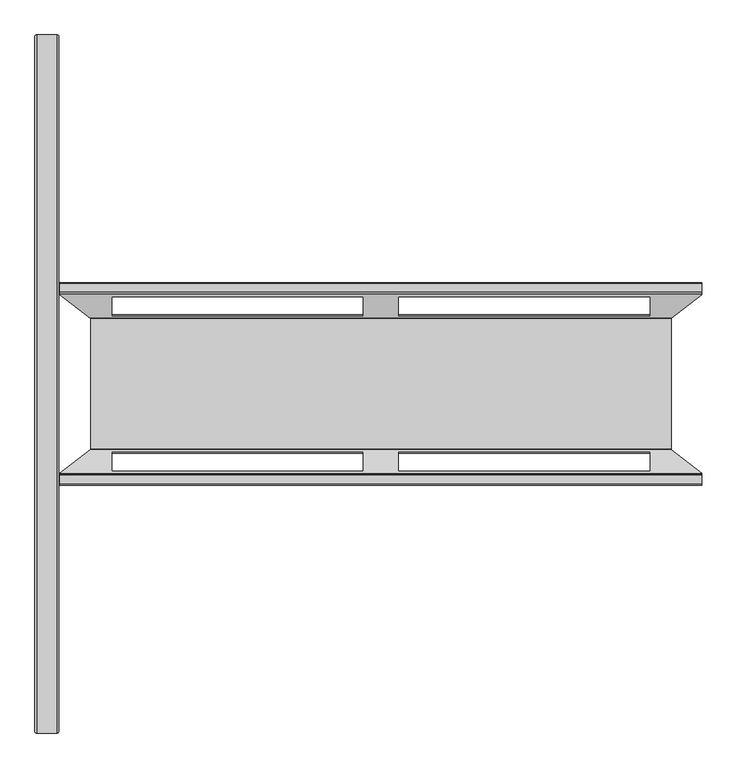
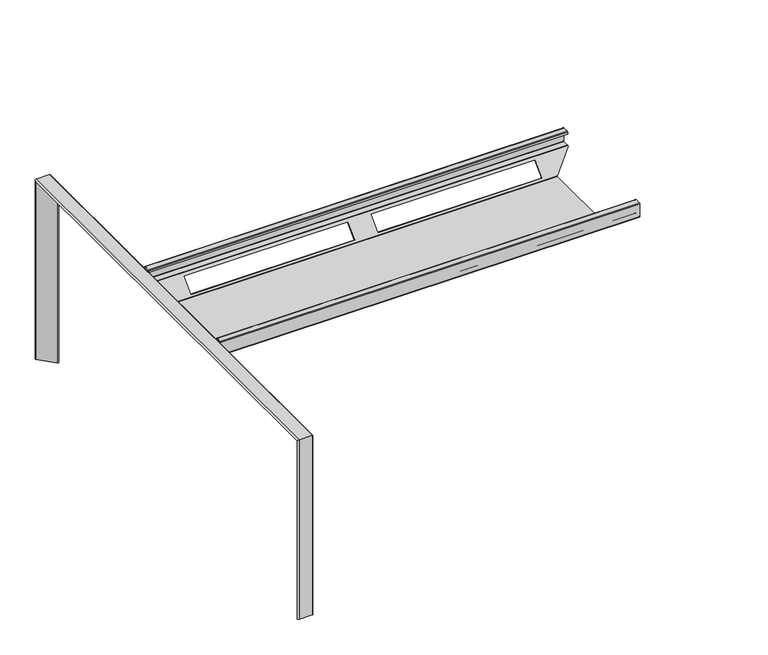
"""IFC4 building model written with IfcOpenShell, lengths in millimetres: furniture geometry."""

from ifc_helpers import new_model, si_unit, frame, origin, place, context, project, spatial, polyline, circle_curve, ellipse_curve, source, transform, mapped, element, save
from ifc_brep_helpers import plane_surface, cylinder_surface, revolved_surface, advanced_brep


def furniture_d405eddb(model_context):
    return source(origin(), model_context, "Body", "AdvancedBrep", [
        advanced_brep(
        [(742.0000291, -209.1698367, 644.4158452), (742.0000291, -208.7831242, 644.0291328), (742.0000291, -206.5203825, 644.0291328), (742.0000291, -208.0384658, 645.5472161), (742.0000291, -209.8769435, 646.3087384), (742.0000291, -231.9627061, 646.3087384), (742.0000291, -232.8627061, 647.2087384), (742.0000291, -232.8627061, 694.7085606), (742.0000291, -231.9625212, 695.6087455), (742.0000291, -211.9508375, 695.6087455), (742.0000291, -211.0628034, 694.7207114), (742.0000291, -211.0628034, 688.2088182), (742.0000291, -209.4628034, 688.2088182), (742.0000291, -209.4628034, 694.7207114), (742.0000291, -211.9508375, 697.2087455), (742.0000291, -231.9625212, 697.2087455), (742.0000291, -234.4627061, 694.7085606), (742.0000291, -234.4627061, 647.2087384), (742.0000291, -231.9627061, 644.7087384), (742.0000291, -209.8769435, 644.7087384), (742.0000291, 207.1384513, 645.5472161), (742.0000291, 205.620368, 644.0291328), (742.0000291, 207.8831097, 644.0291328), (742.0000291, 208.2698222, 644.4158452), (742.0000291, 208.976929, 644.7087384), (742.0000291, 231.0626916, 644.7087384), (742.0000291, 233.5626916, 647.2087384), (742.0000291, 233.5626916, 694.7085606), (742.0000291, 231.0625067, 697.2087455), (742.0000291, 211.050823, 697.2087455), (742.0000291, 208.5627889, 694.7207114), (742.0000291, 208.5627889, 688.2088182), (742.0000291, 210.1627889, 688.2088182), (742.0000291, 210.1627889, 694.7207114), (742.0000291, 211.050823, 695.6087455), (742.0000291, 231.0625067, 695.6087455), (742.0000291, 231.9626916, 694.7085606), (742.0000291, 231.9626916, 647.2087384), (742.0000291, 231.0626916, 646.3087384), (742.0000291, 208.976929, 646.3087384), (-742.0000338, 208.2698222, 644.4158452), (-742.0000338, 207.8831097, 644.0291328), (-742.0000338, 205.620368, 644.0291328), (-742.0000338, 207.1384513, 645.5472161), (-742.0000338, 208.976929, 646.3087384), (-742.0000338, 231.0626916, 646.3087384), (-742.0000338, 231.9626916, 647.2087384), (-742.0000338, 231.9626916, 694.7085606), (-742.0000338, 231.0625067, 695.6087455), (-742.0000338, 211.050823, 695.6087455), (-742.0000338, 210.1627889, 694.7207114), (-742.0000338, 210.1627889, 688.2088182), (-742.0000338, 208.5627889, 688.2088182), (-742.0000338, 208.5627889, 694.7207114), (-742.0000338, 211.050823, 697.2087455), (-742.0000338, 231.0625067, 697.2087455), (-742.0000338, 233.5626916, 694.7085606), (-742.0000338, 233.5626916, 647.2087384), (-742.0000338, 231.0626916, 644.7087384), (-742.0000338, 208.976929, 644.7087384), (-742.0000338, -208.0384658, 645.5472161), (-742.0000338, -206.5203825, 644.0291328), (-742.0000338, -208.7831242, 644.0291328), (-742.0000338, -209.1698367, 644.4158452), (-742.0000338, -209.8769435, 644.7087384), (-742.0000338, -231.9627061, 644.7087384), (-742.0000338, -234.4627061, 647.2087384), (-742.0000338, -234.4627061, 694.7085606), (-742.0000338, -231.9625212, 697.2087455), (-742.0000338, -211.9508375, 697.2087455), (-742.0000338, -209.4628034, 694.7207114), (-742.0000338, -209.4628034, 688.2088182), (-742.0000338, -211.0628034, 688.2088182), (-742.0000338, -211.0628034, 694.7207114), (-742.0000338, -211.9508375, 695.6087455), (-742.0000338, -231.9625212, 695.6087455), (-742.0000338, -232.8627061, 694.7085606), (-742.0000338, -232.8627061, 647.2087384), (-742.0000338, -231.9627061, 646.3087384), (-742.0000338, -209.8769435, 646.3087384), (669.1959413, 150.5324381, 587.7087715), (669.1959413, -151.4324526, 587.7087715), (-669.1959459, -151.4324526, 587.7087715), (-669.1959459, 150.5324381, 587.7087715), (670.1377082, -153.1913025, 588.437311), (-670.1377129, -153.1913025, 588.437311), (-621.5000006, -203.1594941, 638.4055027), (-41.4999934, -203.1594941, 638.4055027), (-41.4999934, -160.2660683, 595.5120769), (-621.5000006, -160.2660683, 595.5120769), (41.4999888, -160.2660683, 595.5120769), (41.4999888, -203.1594941, 638.4055027), (621.4999959, -203.1594941, 638.4055027), (621.4999959, -160.2660683, 595.5120769), (671.6428426, -152.0929145, 589.6016648), (-671.6428472, -152.0929145, 589.6016648), (-621.5000006, -158.0033266, 595.5120769), (-41.4999934, -158.0033266, 595.5120769), (-41.4999934, -200.8967524, 638.4055027), (-621.5000006, -200.8967524, 638.4055027), (621.4999959, -158.0033266, 595.5120769), (621.4999959, -200.8967524, 638.4055027), (41.4999888, -200.8967524, 638.4055027), (41.4999888, -158.0033266, 595.5120769), (671.264226, -151.3858077, 589.3087715), (-671.2642306, -151.3858077, 589.3087715), (671.264226, 150.4857933, 589.3087715), (-671.2642306, 150.4857933, 589.3087715), (671.6428426, 151.1929, 589.6016648), (-671.6428472, 151.1929, 589.6016648), (-621.5000006, 199.9967379, 638.4055027), (-41.4999934, 199.9967379, 638.4055027), (-41.4999934, 157.1033121, 595.5120769), (-621.5000006, 157.1033121, 595.5120769), (41.4999888, 157.1033121, 595.5120769), (41.4999888, 199.9967379, 638.4055027), (621.4999959, 199.9967379, 638.4055027), (621.4999959, 157.1033121, 595.5120769), (670.1377082, 152.291288, 588.437311), (-670.1377129, 152.291288, 588.437311), (-621.5000006, 159.3660538, 595.5120769), (-41.4999934, 159.3660538, 595.5120769), (-41.4999934, 202.2594796, 638.4055027), (-621.5000006, 202.2594796, 638.4055027), (621.4999959, 159.3660538, 595.5120769), (621.4999959, 202.2594796, 638.4055027), (41.4999888, 202.2594796, 638.4055027), (41.4999888, 159.3660538, 595.5120769)],
        [
            (0, 1),
            (1, 2),
            (2, 3),
            (3, 4, circle_curve(frame((742.0000291, -209.8769435, 643.7087384), z_axis=(1.0, 0.0, 0.0), x_axis=(0.0, -1.0, 0.0)), 2.6)),
            (4, 5),
            (5, 6, circle_curve(frame((742.0000291, -231.9627061, 647.2087384), z_axis=(-1.0, 0.0, 0.0), x_axis=(0.0, -1.0, 0.0)), 0.9)),
            (6, 7),
            (7, 8, circle_curve(frame((742.0000291, -231.9625212, 694.7085606), z_axis=(-1.0, 0.0, 0.0), x_axis=(0.0, -1.0, 0.0)), 0.9001849)),
            (8, 9),
            (9, 10, circle_curve(frame((742.0000291, -211.9508375, 694.7207114), z_axis=(-1.0, 0.0, 0.0), x_axis=(0.0, -1.0, 0.0)), 0.8880341)),
            (10, 11),
            (11, 12),
            (12, 13),
            (13, 14, circle_curve(frame((742.0000291, -211.9508375, 694.7207114), z_axis=(1.0, 0.0, 0.0), x_axis=(0.0, -1.0, 0.0)), 2.4880341)),
            (14, 15),
            (15, 16, circle_curve(frame((742.0000291, -231.9625212, 694.7085606), z_axis=(1.0, 0.0, 0.0), x_axis=(0.0, -1.0, 0.0)), 2.5001849)),
            (16, 17),
            (17, 18, circle_curve(frame((742.0000291, -231.9627061, 647.2087384), z_axis=(1.0, 0.0, 0.0), x_axis=(0.0, -1.0, 0.0)), 2.5)),
            (18, 19),
            (19, 0, circle_curve(frame((742.0000291, -209.8769435, 643.7087384), z_axis=(-1.0, 0.0, 0.0), x_axis=(0.0, -1.0, 0.0)), 1.0)),
            (20, 21),
            (21, 22),
            (22, 23),
            (23, 24, circle_curve(frame((742.0000291, 208.976929, 643.7087384), z_axis=(-1.0, 0.0, 0.0), x_axis=(0.0, -1.0, 0.0)), 1.0)),
            (24, 25),
            (25, 26, circle_curve(frame((742.0000291, 231.0626916, 647.2087384), z_axis=(1.0, 0.0, 0.0), x_axis=(0.0, -1.0, 0.0)), 2.5)),
            (26, 27),
            (27, 28, circle_curve(frame((742.0000291, 231.0625067, 694.7085606), z_axis=(1.0, 0.0, 0.0), x_axis=(0.0, -1.0, 0.0)), 2.5001849)),
            (28, 29),
            (29, 30, circle_curve(frame((742.0000291, 211.050823, 694.7207114), z_axis=(1.0, 0.0, 0.0), x_axis=(0.0, -1.0, 0.0)), 2.4880341)),
            (30, 31),
            (31, 32),
            (32, 33),
            (33, 34, circle_curve(frame((742.0000291, 211.050823, 694.7207114), z_axis=(-1.0, 0.0, 0.0), x_axis=(0.0, -1.0, 0.0)), 0.8880341)),
            (34, 35),
            (35, 36, circle_curve(frame((742.0000291, 231.0625067, 694.7085606), z_axis=(-1.0, 0.0, 0.0), x_axis=(0.0, -1.0, 0.0)), 0.9001849)),
            (36, 37),
            (37, 38, circle_curve(frame((742.0000291, 231.0626916, 647.2087384), z_axis=(-1.0, 0.0, 0.0), x_axis=(0.0, -1.0, 0.0)), 0.9)),
            (38, 39),
            (39, 20, circle_curve(frame((742.0000291, 208.976929, 643.7087384), z_axis=(1.0, 0.0, 0.0), x_axis=(0.0, -1.0, 0.0)), 2.6)),
            (40, 41),
            (41, 42),
            (42, 43),
            (43, 44, circle_curve(frame((-742.0000338, 208.976929, 643.7087384), z_axis=(-1.0, 0.0, 0.0), x_axis=(0.0, -1.0, 0.0)), 2.6)),
            (44, 45),
            (45, 46, circle_curve(frame((-742.0000338, 231.0626916, 647.2087384), z_axis=(1.0, 0.0, 0.0), x_axis=(0.0, -1.0, 0.0)), 0.9)),
            (46, 47),
            (47, 48, circle_curve(frame((-742.0000338, 231.0625067, 694.7085606), z_axis=(1.0, 0.0, 0.0), x_axis=(0.0, -1.0, 0.0)), 0.9001849)),
            (48, 49),
            (49, 50, circle_curve(frame((-742.0000338, 211.050823, 694.7207114), z_axis=(1.0, 0.0, 0.0), x_axis=(0.0, -1.0, 0.0)), 0.8880341)),
            (50, 51),
            (51, 52),
            (52, 53),
            (53, 54, circle_curve(frame((-742.0000338, 211.050823, 694.7207114), z_axis=(-1.0, 0.0, 0.0), x_axis=(0.0, -1.0, 0.0)), 2.4880341)),
            (54, 55),
            (55, 56, circle_curve(frame((-742.0000338, 231.0625067, 694.7085606), z_axis=(-1.0, 0.0, 0.0), x_axis=(0.0, -1.0, 0.0)), 2.5001849)),
            (56, 57),
            (57, 58, circle_curve(frame((-742.0000338, 231.0626916, 647.2087384), z_axis=(-1.0, 0.0, 0.0), x_axis=(0.0, -1.0, 0.0)), 2.5)),
            (58, 59),
            (59, 40, circle_curve(frame((-742.0000338, 208.976929, 643.7087384), z_axis=(1.0, 0.0, 0.0), x_axis=(0.0, -1.0, 0.0)), 1.0)),
            (60, 61),
            (61, 62),
            (62, 63),
            (63, 64, circle_curve(frame((-742.0000338, -209.8769435, 643.7087384), z_axis=(1.0, 0.0, 0.0), x_axis=(0.0, -1.0, 0.0)), 1.0)),
            (64, 65),
            (65, 66, circle_curve(frame((-742.0000338, -231.9627061, 647.2087384), z_axis=(-1.0, 0.0, 0.0), x_axis=(0.0, -1.0, 0.0)), 2.5)),
            (66, 67),
            (67, 68, circle_curve(frame((-742.0000338, -231.9625212, 694.7085606), z_axis=(-1.0, 0.0, 0.0), x_axis=(0.0, -1.0, 0.0)), 2.5001849)),
            (68, 69),
            (69, 70, circle_curve(frame((-742.0000338, -211.9508375, 694.7207114), z_axis=(-1.0, 0.0, 0.0), x_axis=(0.0, -1.0, 0.0)), 2.4880341)),
            (70, 71),
            (71, 72),
            (72, 73),
            (73, 74, circle_curve(frame((-742.0000338, -211.9508375, 694.7207114), z_axis=(1.0, 0.0, 0.0), x_axis=(0.0, -1.0, 0.0)), 0.8880341)),
            (74, 75),
            (75, 76, circle_curve(frame((-742.0000338, -231.9625212, 694.7085606), z_axis=(1.0, 0.0, 0.0), x_axis=(0.0, -1.0, 0.0)), 0.9001849)),
            (76, 77),
            (77, 78, circle_curve(frame((-742.0000338, -231.9627061, 647.2087384), z_axis=(1.0, 0.0, 0.0), x_axis=(0.0, -1.0, 0.0)), 0.9)),
            (78, 79),
            (79, 60, circle_curve(frame((-742.0000338, -209.8769435, 643.7087384), z_axis=(-1.0, 0.0, 0.0), x_axis=(0.0, -1.0, 0.0)), 2.6)),
            (80, 81),
            (81, 82),
            (82, 83),
            (83, 80),
            (81, 84, ellipse_curve(frame((672.4113347, -151.4324526, 590.196161), z_axis=(-0.6118736301156339, 0.0, 0.790955536531047), x_axis=(0.7909555365310468, 0.0, 0.6118736301156339)), 4.0652013, 2.4873895)),
            (84, 85),
            (85, 82, ellipse_curve(frame((-672.4113394, -151.4324526, 590.196161), z_axis=(0.6118736301156549, 0.0, 0.7909555365310309), x_axis=(0.7909555365310308, 0.0, -0.611873630115655)), 4.0652013, 2.4873895)),
            (62, 85),
            (84, 1),
            (0, 63),
            (86, 87),
            (87, 88),
            (88, 89),
            (89, 86),
            (90, 91),
            (91, 92),
            (92, 93),
            (93, 90),
            (19, 64),
            (18, 65),
            (17, 66),
            (16, 67),
            (15, 68),
            (14, 69),
            (13, 70),
            (12, 71),
            (11, 72),
            (10, 73),
            (9, 74),
            (8, 75),
            (7, 76),
            (6, 77),
            (5, 78),
            (4, 79),
            (3, 60),
            (2, 94),
            (94, 95),
            (95, 61),
            (96, 97),
            (97, 98),
            (98, 99),
            (99, 96),
            (100, 101),
            (101, 102),
            (102, 103),
            (103, 100),
            (94, 104, ellipse_curve(frame((672.5569039, -151.3858077, 590.3087715), z_axis=(0.6118736301156339, 0.0, -0.790955536531047), x_axis=(-0.7909555365310468, 0.0, -0.6118736301156339)), 1.6343244, 1.0)),
            (104, 105),
            (105, 95, ellipse_curve(frame((-672.5569085, -151.3858077, 590.3087715), z_axis=(-0.6118736301156549, 0.0, -0.7909555365310309), x_axis=(-0.7909555365310308, 0.0, 0.611873630115655)), 1.6343244, 1.0)),
            (104, 106),
            (106, 107),
            (107, 105),
            (106, 108, ellipse_curve(frame((672.5569039, 150.4857933, 590.3087715), z_axis=(0.6118736301156339, 0.0, -0.790955536531047), x_axis=(-0.7909555365310468, 0.0, -0.6118736301156339)), 1.6343244, 1.0)),
            (108, 109),
            (109, 107, ellipse_curve(frame((-672.5569085, 150.4857933, 590.3087715), z_axis=(-0.6118736301156549, 0.0, -0.7909555365310309), x_axis=(-0.7909555365310308, 0.0, 0.611873630115655)), 1.6343244, 1.0)),
            (42, 109),
            (108, 21),
            (20, 43),
            (110, 111),
            (111, 112),
            (112, 113),
            (113, 110),
            (114, 115),
            (115, 116),
            (116, 117),
            (117, 114),
            (39, 44),
            (38, 45),
            (37, 46),
            (36, 47),
            (35, 48),
            (34, 49),
            (33, 50),
            (32, 51),
            (31, 52),
            (30, 53),
            (29, 54),
            (28, 55),
            (27, 56),
            (26, 57),
            (25, 58),
            (24, 59),
            (23, 40),
            (22, 118),
            (118, 119),
            (119, 41),
            (120, 121),
            (121, 122),
            (122, 123),
            (123, 120),
            (124, 125),
            (125, 126),
            (126, 127),
            (127, 124),
            (83, 119, ellipse_curve(frame((-672.4113394, 150.5324381, 590.196161), z_axis=(0.6118736301156549, 0.0, 0.7909555365310309), x_axis=(0.7909555365310308, 0.0, -0.611873630115655)), 4.0652013, 2.4873895)),
            (118, 80, ellipse_curve(frame((672.4113347, 150.5324381, 590.196161), z_axis=(-0.6118736301156339, 0.0, 0.790955536531047), x_axis=(0.7909555365310468, 0.0, 0.6118736301156339)), 4.0652013, 2.4873895)),
            (99, 86),
            (89, 96),
            (123, 110),
            (113, 120),
            (98, 87),
            (122, 111),
            (97, 88),
            (121, 112),
            (103, 90),
            (93, 100),
            (127, 114),
            (117, 124),
            (102, 91),
            (126, 115),
            (101, 92),
            (125, 116),
        ],
        [
            plane_surface(frame((742.0000291, -151.4324526, 587.7087715), z_axis=(1.0, 0.0, 0.0), x_axis=(0.0, -1.0, 0.0))),
            plane_surface(frame((-742.0000338, -151.4324526, 587.7087715), z_axis=(-1.0, 0.0, 0.0), x_axis=(0.0, 1.0, 0.0))),
            plane_surface(frame((742.0000291, 150.5324381, 587.7087715), z_axis=(0.0, 0.0, -1.0), x_axis=(-1.0, 0.0, 0.0))),
            cylinder_surface(frame((-742.0000338, -151.4324526, 590.196161), z_axis=(1.0, 0.0, 0.0), x_axis=(0.0, -1.0, 0.0)), 2.4873895),
            plane_surface(frame((742.0000291, -153.1913025, 588.437311), z_axis=(0.0, -0.7071067811865575, -0.7071067811865378), x_axis=(-1.0, 0.0, 0.0))),
            revolved_surface(polyline([(-742.0000338, -210.8769435, 643.7087384), (742.0000291000001, -210.8769435, 643.7087384)]), (-742.0000338, -209.8769435, 643.7087384), (-1.0, 0.0, 0.0)),
            plane_surface(frame((742.0000291, -209.8769435, 644.7087384), z_axis=(0.0, 0.0, -1.0), x_axis=(-1.0, 0.0, 0.0))),
            cylinder_surface(frame((-742.0000338, -231.9627061, 647.2087384), z_axis=(1.0, 0.0, 0.0), x_axis=(0.0, -1.0, 0.0)), 2.5),
            plane_surface(frame((742.0000291, -234.4627061, 647.2087384), z_axis=(0.0, -1.0, 0.0), x_axis=(-1.0, 0.0, 0.0))),
            cylinder_surface(frame((-742.0000338, -231.9625212, 694.7085606), z_axis=(1.0, 0.0, 0.0), x_axis=(0.0, -1.0, 0.0)), 2.5001849),
            plane_surface(frame((742.0000291, -231.9625212, 697.2087455), z_axis=(0.0, 0.0, 1.0), x_axis=(-1.0, 0.0, 0.0))),
            cylinder_surface(frame((-742.0000338, -211.9508375, 694.7207114), z_axis=(1.0, 0.0, 0.0), x_axis=(0.0, -1.0, 0.0)), 2.4880341),
            plane_surface(frame((742.0000291, -209.4628034, 694.7207114), z_axis=(0.0, 1.0, 0.0), x_axis=(-1.0, 0.0, 0.0))),
            plane_surface(frame((742.0000291, -209.4628034, 688.2088182), z_axis=(0.0, 0.0, -1.0), x_axis=(-1.0, 0.0, 0.0))),
            plane_surface(frame((742.0000291, -211.0628034, 688.2088182), z_axis=(0.0, -1.0, 0.0), x_axis=(-1.0, 0.0, 0.0))),
            revolved_surface(polyline([(-742.0000338, -212.8388716, 694.7207114), (742.0000291000001, -212.8388716, 694.7207114)]), (-742.0000338, -211.9508375, 694.7207114), (-1.0, 0.0, 0.0)),
            plane_surface(frame((742.0000291, -211.9508375, 695.6087455), z_axis=(0.0, 0.0, -1.0), x_axis=(-1.0, 0.0, 0.0))),
            revolved_surface(polyline([(-742.0000338, -232.8627061, 694.7085606), (742.0000291000001, -232.8627061, 694.7085606)]), (-742.0000338, -231.9625212, 694.7085606), (-1.0, 0.0, 0.0)),
            plane_surface(frame((742.0000291, -232.8627061, 694.7085606), z_axis=(0.0, 1.0, 0.0), x_axis=(-1.0, 0.0, 0.0))),
            revolved_surface(polyline([(-742.0000338, -232.8627061, 647.2087384), (742.0000291000001, -232.8627061, 647.2087384)]), (-742.0000338, -231.9627061, 647.2087384), (-1.0, 0.0, 0.0)),
            plane_surface(frame((742.0000291, -231.9627061, 646.3087384), z_axis=(0.0, 0.0, 1.0), x_axis=(-1.0, 0.0, 0.0))),
            cylinder_surface(frame((-742.0000338, -209.8769435, 643.7087384), z_axis=(1.0, 0.0, 0.0), x_axis=(0.0, -1.0, 0.0)), 2.6),
            plane_surface(frame((742.0000291, -208.0384658, 645.5472161), z_axis=(0.0, 0.7071067811865486, 0.7071067811865465), x_axis=(-1.0, 0.0, 0.0))),
            revolved_surface(polyline([(-673.8495864326677, -152.3858077, 590.3087715), (673.8495818326678, -152.3858077, 590.3087715)]), (-742.0000338, -151.3858077, 590.3087715), (-1.0, 0.0, 0.0)),
            plane_surface(frame((742.0000291, -151.3858077, 589.3087715), z_axis=(0.0, 0.0, 1.0), x_axis=(-1.0, 0.0, 0.0))),
            revolved_surface(polyline([(-673.8495864326677, 149.4857933, 590.3087715), (673.8495818326678, 149.4857933, 590.3087715)]), (-742.0000338, 150.4857933, 590.3087715), (-1.0, 0.0, 0.0)),
            plane_surface(frame((742.0000291, 151.1929, 589.6016648), z_axis=(0.0, -0.7071067811865677, 0.7071067811865275), x_axis=(-1.0, 0.0, 0.0))),
            cylinder_surface(frame((-742.0000338, 208.976929, 643.7087384), z_axis=(1.0, 0.0, 0.0), x_axis=(0.0, -1.0, 0.0)), 2.6),
            plane_surface(frame((742.0000291, 208.976929, 646.3087384), z_axis=(0.0, 0.0, 1.0), x_axis=(-1.0, 0.0, 0.0))),
            revolved_surface(polyline([(-742.0000338, 230.1626916, 647.2087384), (742.0000291000001, 230.1626916, 647.2087384)]), (-742.0000338, 231.0626916, 647.2087384), (-1.0, 0.0, 0.0)),
            plane_surface(frame((742.0000291, 231.9626916, 647.2087384), z_axis=(0.0, -1.0, 0.0), x_axis=(-1.0, 0.0, 0.0))),
            revolved_surface(polyline([(-742.0000338, 230.1623218, 694.7085606), (742.0000291000001, 230.1623218, 694.7085606)]), (-742.0000338, 231.0625067, 694.7085606), (-1.0, 0.0, 0.0)),
            plane_surface(frame((742.0000291, 231.0625067, 695.6087455), z_axis=(0.0, 0.0, -1.0), x_axis=(-1.0, 0.0, 0.0))),
            revolved_surface(polyline([(-742.0000338, 210.1627889, 694.7207114), (742.0000291000001, 210.1627889, 694.7207114)]), (-742.0000338, 211.050823, 694.7207114), (-1.0, 0.0, 0.0)),
            plane_surface(frame((742.0000291, 210.1627889, 694.7207114), z_axis=(0.0, 1.0, 0.0), x_axis=(-1.0, 0.0, 0.0))),
            plane_surface(frame((742.0000291, 210.1627889, 688.2088182), z_axis=(0.0, 0.0, -1.0), x_axis=(-1.0, 0.0, 0.0))),
            plane_surface(frame((742.0000291, 208.5627889, 688.2088182), z_axis=(0.0, -1.0, 0.0), x_axis=(-1.0, 0.0, 0.0))),
            cylinder_surface(frame((-742.0000338, 211.050823, 694.7207114), z_axis=(1.0, 0.0, 0.0), x_axis=(0.0, -1.0, 0.0)), 2.4880341),
            plane_surface(frame((742.0000291, 211.050823, 697.2087455), z_axis=(0.0, 0.0, 1.0), x_axis=(-1.0, 0.0, 0.0))),
            cylinder_surface(frame((-742.0000338, 231.0625067, 694.7085606), z_axis=(1.0, 0.0, 0.0), x_axis=(0.0, -1.0, 0.0)), 2.5001849),
            plane_surface(frame((742.0000291, 233.5626916, 694.7085606), z_axis=(0.0, 1.0, 0.0), x_axis=(-1.0, 0.0, 0.0))),
            cylinder_surface(frame((-742.0000338, 231.0626916, 647.2087384), z_axis=(1.0, 0.0, 0.0), x_axis=(0.0, -1.0, 0.0)), 2.5),
            plane_surface(frame((742.0000291, 231.0626916, 644.7087384), z_axis=(0.0, 0.0, -1.0), x_axis=(-1.0, 0.0, 0.0))),
            revolved_surface(polyline([(-742.0000338, 207.976929, 643.7087384), (742.0000291000001, 207.976929, 643.7087384)]), (-742.0000338, 208.976929, 643.7087384), (-1.0, 0.0, 0.0)),
            plane_surface(frame((742.0000291, 208.2698222, 644.4158452), z_axis=(0.0, 0.7071067811865487, -0.7071067811865464), x_axis=(-1.0, 0.0, 0.0))),
            cylinder_surface(frame((-742.0000338, 150.5324381, 590.196161), z_axis=(1.0, 0.0, 0.0), x_axis=(0.0, -1.0, 0.0)), 2.4873895),
            plane_surface(frame((-747.0881727, -348.8897507, 647.9652554), z_axis=(-0.6118736301156549, 0.0, -0.7909555365310309), x_axis=(0.0, 1.0, 0.0))),
            plane_surface(frame((-621.5000006, -348.8897507, 595.5120769), z_axis=(1.0, 0.0, 0.0), x_axis=(0.0, 1.0, 0.0))),
            plane_surface(frame((-621.5000006, -348.8897507, 638.4055027), z_axis=(0.0, 0.0, -1.0), x_axis=(0.0, 1.0, 0.0))),
            plane_surface(frame((-41.4999934, -348.8897507, 638.4055027), z_axis=(-1.0, 0.0, 0.0), x_axis=(0.0, 1.0, 0.0))),
            plane_surface(frame((-41.4999934, -348.8897507, 595.5120769), z_axis=(0.0, 0.0, 1.0), x_axis=(0.0, 1.0, 0.0))),
            plane_surface(frame((665.2576318, -348.8897507, 584.662143), z_axis=(0.6118736301156339, 0.0, -0.790955536531047), x_axis=(0.0, 1.0, 0.0))),
            plane_surface(frame((621.4999959, -348.8897507, 595.5120769), z_axis=(0.0, 0.0, 1.0), x_axis=(0.0, 1.0, 0.0))),
            plane_surface(frame((41.4999888, -348.8897507, 595.5120769), z_axis=(1.0, 0.0, 0.0), x_axis=(0.0, 1.0, 0.0))),
            plane_surface(frame((41.4999888, -348.8897507, 638.4055027), z_axis=(0.0, 0.0, -1.0), x_axis=(0.0, 1.0, 0.0))),
            plane_surface(frame((621.4999959, -348.8897507, 638.4055027), z_axis=(-1.0, 0.0, 0.0), x_axis=(0.0, 1.0, 0.0))),
        ],
        [
            (0, [[1, 2, 3, 4, 5, 6, 7, 8, 9, 10, 11, 12, 13, 14, 15, 16, 17, 18, 19, 20]]),
            (0, [[21, 22, 23, 24, 25, 26, 27, 28, 29, 30, 31, 32, 33, 34, 35, 36, 37, 38, 39, 40]]),
            (1, [[41, 42, 43, 44, 45, 46, 47, 48, 49, 50, 51, 52, 53, 54, 55, 56, 57, 58, 59, 60]]),
            (1, [[61, 62, 63, 64, 65, 66, 67, 68, 69, 70, 71, 72, 73, 74, 75, 76, 77, 78, 79, 80]]),
            (2, [[81, 82, 83, 84]]),
            (3, [[85, 86, 87, -82]]),
            (4, [[-63, 88, -86, 89, -1, 90], [91, 92, 93, 94], [95, 96, 97, 98]]),
            (5, [[99, -64, -90, -20]]),
            (6, [[100, -65, -99, -19]]),
            (7, [[101, -66, -100, -18]]),
            (8, [[102, -67, -101, -17]]),
            (9, [[103, -68, -102, -16]]),
            (10, [[104, -69, -103, -15]]),
            (11, [[105, -70, -104, -14]]),
            (12, [[106, -71, -105, -13]]),
            (13, [[107, -72, -106, -12]]),
            (14, [[108, -73, -107, -11]]),
            (15, [[109, -74, -108, -10]]),
            (16, [[110, -75, -109, -9]]),
            (17, [[111, -76, -110, -8]]),
            (18, [[112, -77, -111, -7]]),
            (19, [[113, -78, -112, -6]]),
            (20, [[114, -79, -113, -5]]),
            (21, [[115, -80, -114, -4]]),
            (22, [[-3, 116, 117, 118, -61, -115], [119, 120, 121, 122], [123, 124, 125, 126]]),
            (23, [[127, 128, 129, -117]]),
            (24, [[130, 131, 132, -128]]),
            (25, [[133, 134, 135, -131]]),
            (26, [[-43, 136, -134, 137, -21, 138], [139, 140, 141, 142], [143, 144, 145, 146]]),
            (27, [[147, -44, -138, -40]]),
            (28, [[148, -45, -147, -39]]),
            (29, [[149, -46, -148, -38]]),
            (30, [[150, -47, -149, -37]]),
            (31, [[151, -48, -150, -36]]),
            (32, [[152, -49, -151, -35]]),
            (33, [[153, -50, -152, -34]]),
            (34, [[154, -51, -153, -33]]),
            (35, [[155, -52, -154, -32]]),
            (36, [[156, -53, -155, -31]]),
            (37, [[157, -54, -156, -30]]),
            (38, [[158, -55, -157, -29]]),
            (39, [[159, -56, -158, -28]]),
            (40, [[160, -57, -159, -27]]),
            (41, [[161, -58, -160, -26]]),
            (42, [[162, -59, -161, -25]]),
            (43, [[163, -60, -162, -24]]),
            (44, [[-23, 164, 165, 166, -41, -163], [167, 168, 169, 170], [171, 172, 173, 174]]),
            (45, [[175, -165, 176, -84]]),
            (46, [[-166, -175, -83, -87, -88, -62, -118, -129, -132, -135, -136, -42]]),
            (47, [[-122, 177, -94, 178]]),
            (47, [[-170, 179, -142, 180]]),
            (48, [[-121, 181, -91, -177]]),
            (48, [[-169, 182, -139, -179]]),
            (49, [[-120, 183, -92, -181]]),
            (49, [[-168, 184, -140, -182]]),
            (50, [[-93, -183, -119, -178]]),
            (50, [[-141, -184, -167, -180]]),
            (51, [[-89, -85, -81, -176, -164, -22, -137, -133, -130, -127, -116, -2]]),
            (52, [[-126, 185, -98, 186]]),
            (52, [[-174, 187, -146, 188]]),
            (53, [[-125, 189, -95, -185]]),
            (53, [[-173, 190, -143, -187]]),
            (54, [[-124, 191, -96, -189]]),
            (54, [[-172, 192, -144, -190]]),
            (55, [[-97, -191, -123, -186]]),
            (55, [[-145, -192, -171, -188]]),
        ],
    ),
        advanced_brep(
        [(-751.8815082, -753.7247064, 23.2194007), (-744.9999549, -756.5751391, 23.2194007), (-744.9999549, -803.5000072, 23.2194007), (-748.9999549, -807.5000072, 23.2194007), (-795.9562342, -807.5000072, 23.2194007), (-798.7974668, -800.640665, 23.2194007), (-798.7974668, -800.640665, 688.8994032), (-751.8815082, -753.7247064, 641.9834446), (-795.9562342, -807.5000072, 695.7587455), (-748.9999549, -807.5000072, 695.7587455), (-744.9999549, -803.5000072, 691.7587455), (-744.9999549, -756.5751391, 644.8338773), (-744.9999549, 755.6751246, 644.8338773), (-744.9999549, 755.6751246, 23.2273539), (-744.9999549, 802.5999928, 23.2273539), (-744.9999549, 802.5999928, 691.7587455), (-798.7974668, 799.7406505, 688.8994032), (-751.8815082, 752.8246919, 641.9834446), (-795.9562342, 806.5999928, 695.7587455), (-748.9999549, 806.5999928, 695.7587455), (-751.8815082, 752.8246919, 23.2273539), (-798.7974668, 799.7406505, 23.2273539), (-795.9562342, 806.5999928, 23.2273539), (-748.9999549, 806.5999928, 23.2273539)],
        [
            (0, 1, circle_curve(frame((-749.0310755, -756.5751391, 23.2194007), z_axis=(0.0, 0.0, -1.0), x_axis=(0.0, -1.0, 0.0)), 4.0311206)),
            (1, 2),
            (2, 3, circle_curve(frame((-748.9999549, -803.5000072, 23.2194007), z_axis=(0.0, 0.0, -1.0), x_axis=(0.0, -1.0, 0.0)), 4.0)),
            (3, 4),
            (4, 5, circle_curve(frame((-795.9562342, -803.4818976, 23.2194007), z_axis=(0.0, 0.0, -1.0), x_axis=(0.0, -1.0, 0.0)), 4.0181097)),
            (5, 0),
            (5, 6),
            (6, 7),
            (7, 0),
            (4, 8),
            (8, 6, ellipse_curve(frame((-795.9562342, -803.4818976, 691.7406358), z_axis=(0.0, -0.7071067811865475, -0.7071067811865475), x_axis=(0.0, 0.7071067811865474, -0.7071067811865476)), 5.6824652, 4.0181097)),
            (3, 9),
            (9, 8),
            (2, 10),
            (10, 9, ellipse_curve(frame((-748.9999549, -803.5000072, 691.7587455), z_axis=(0.0, -0.7071067811865475, -0.7071067811865475), x_axis=(0.0, 0.7071067811865474, -0.7071067811865476)), 5.6568542, 4.0)),
            (1, 11),
            (11, 12),
            (12, 13),
            (13, 14),
            (14, 15),
            (15, 10),
            (7, 11, ellipse_curve(frame((-749.0310755, -756.5751391, 644.8338773), z_axis=(0.0, -0.7071067811865475, -0.7071067811865475), x_axis=(0.0, 0.7071067811865474, -0.7071067811865476)), 5.7008654, 4.0311206)),
            (6, 16),
            (16, 17),
            (17, 7),
            (8, 18),
            (18, 16, ellipse_curve(frame((-795.9562342, 802.5818831, 691.7406358), z_axis=(0.0, -0.7071067811865475, 0.7071067811865475), x_axis=(0.0, -0.7071067811865476, -0.7071067811865474)), 5.6824652, 4.0181097)),
            (9, 19),
            (19, 18),
            (15, 19, ellipse_curve(frame((-748.9999549, 802.5999928, 691.7587455), z_axis=(0.0, -0.7071067811865475, 0.7071067811865475), x_axis=(0.0, -0.7071067811865476, -0.7071067811865474)), 5.6568542, 4.0)),
            (17, 12, ellipse_curve(frame((-749.0310755, 755.6751246, 644.8338773), z_axis=(0.0, -0.7071067811865475, 0.7071067811865475), x_axis=(0.0, -0.7071067811865476, -0.7071067811865474)), 5.7008654, 4.0311206)),
            (20, 21),
            (21, 22, circle_curve(frame((-795.9562342, 802.5818831, 23.2273539), z_axis=(0.0, 0.0, -1.0), x_axis=(0.0, 1.0, 0.0)), 4.0181097)),
            (22, 23),
            (23, 14, circle_curve(frame((-748.9999549, 802.5999928, 23.2273539), z_axis=(0.0, 0.0, -1.0), x_axis=(0.0, 1.0, 0.0)), 4.0)),
            (13, 20, circle_curve(frame((-749.0310755, 755.6751246, 23.2273539), z_axis=(0.0, 0.0, -1.0), x_axis=(0.0, 1.0, 0.0)), 4.0311206)),
            (16, 21),
            (20, 17),
            (18, 22),
            (19, 23),
        ],
        [
            plane_surface(frame((-800.0000023, -808.9500072, 23.2194007), z_axis=(0.0, 0.0, -1.0), x_axis=(-1.0, 0.0, 0.0))),
            plane_surface(frame((-751.8815082, -753.7247064, 23.2194007), z_axis=(-0.7071067811865486, 0.7071067811865466, 0.0), x_axis=(0.0, 0.0, 1.0))),
            cylinder_surface(frame((-795.9562342, -803.4818976, 23.2194007), z_axis=(0.0, 0.0, -1.0), x_axis=(0.0, -1.0, 0.0)), 4.0181097),
            plane_surface(frame((-795.9562342, -807.5000072, 23.2194007), z_axis=(0.0, -1.0, 0.0), x_axis=(0.0, 0.0, 1.0))),
            cylinder_surface(frame((-748.9999549, -803.5000072, 23.2194007), z_axis=(0.0, 0.0, -1.0), x_axis=(0.0, -1.0, 0.0)), 4.0),
            plane_surface(frame((-744.9999549, -803.5000072, 23.2194007), z_axis=(1.0, 0.0, 0.0), x_axis=(0.0, 0.0, 1.0))),
            cylinder_surface(frame((-749.0310755, -756.5751391, 23.2194007), z_axis=(0.0, 0.0, -1.0), x_axis=(0.0, -1.0, 0.0)), 4.0311206),
            plane_surface(frame((-751.8815082, -753.7247064, 641.9834446), z_axis=(-0.7071067811865471, 0.0, -0.707106781186548), x_axis=(0.0, 1.0, 0.0))),
            cylinder_surface(frame((-795.9562342, -808.9500072, 691.7406358), z_axis=(0.0, -1.0, 0.0), x_axis=(0.0, 0.0, 1.0)), 4.0181097),
            plane_surface(frame((-795.9562342, -807.5000072, 695.7587455), z_axis=(0.0, 0.0, 1.0), x_axis=(0.0, 1.0, 0.0))),
            cylinder_surface(frame((-748.9999549, -808.9500072, 691.7587455), z_axis=(0.0, -1.0, 0.0), x_axis=(0.0, 0.0, 1.0)), 4.0),
            cylinder_surface(frame((-749.0310755, -808.9500072, 644.8338773), z_axis=(0.0, -1.0, 0.0), x_axis=(0.0, 0.0, 1.0)), 4.0311206),
            plane_surface(frame((-800.0000023, 808.0499928, 23.2273539), z_axis=(0.0, 0.0, -1.0), x_axis=(-1.0, 0.0, 0.0))),
            plane_surface(frame((-751.8815082, 752.8246919, 641.9834446), z_axis=(-0.7071067811865457, -0.7071067811865495, 0.0), x_axis=(0.0, 0.0, -1.0))),
            cylinder_surface(frame((-795.9562342, 802.5818831, 697.2087455), z_axis=(0.0, 0.0, 1.0), x_axis=(0.0, 1.0, 0.0)), 4.0181097),
            plane_surface(frame((-795.9562342, 806.5999928, 695.7587455), z_axis=(0.0, 1.0, 0.0), x_axis=(0.0, 0.0, -1.0))),
            cylinder_surface(frame((-748.9999549, 802.5999928, 697.2087455), z_axis=(0.0, 0.0, 1.0), x_axis=(0.0, 1.0, 0.0)), 4.0),
            cylinder_surface(frame((-749.0310755, 755.6751246, 697.2087455), z_axis=(0.0, 0.0, 1.0), x_axis=(0.0, 1.0, 0.0)), 4.0311206),
        ],
        [
            (0, [[1, 2, 3, 4, 5, 6]]),
            (1, [[7, 8, 9, -6]]),
            (2, [[10, 11, -7, -5]]),
            (3, [[12, 13, -10, -4]]),
            (4, [[14, 15, -12, -3]]),
            (5, [[16, 17, 18, 19, 20, 21, -14, -2]]),
            (6, [[-9, 22, -16, -1]]),
            (7, [[23, 24, 25, -8]]),
            (8, [[26, 27, -23, -11]]),
            (9, [[28, 29, -26, -13]]),
            (10, [[-21, 30, -28, -15]]),
            (11, [[-25, 31, -17, -22]]),
            (12, [[32, 33, 34, 35, -19, 36]]),
            (13, [[37, -32, 38, -24]]),
            (14, [[39, -33, -37, -27]]),
            (15, [[40, -34, -39, -29]]),
            (16, [[-20, -35, -40, -30]]),
            (17, [[-38, -36, -18, -31]]),
        ],
    ),
    ])


if __name__ == "__main__":
    model = new_model("IFC4")
    model_context = context("Model", 3, world=origin())
    ifc_project = project(units=[si_unit("LENGTHUNIT", "METRE", prefix="MILLI")], contexts=[model_context])
    site = spatial("IfcSite", under=ifc_project)
    building = spatial("IfcBuilding", under=site)
    placement = place(None, origin())
    furniture_shape = furniture_d405eddb(model_context)
    element("IfcFurniture", 1, at=placement, inside=building, context=model_context, shape_type="MappedRepresentation", body=[
        mapped(furniture_shape, transform((0.0, 0.0, 0.0), x_axis=(1.0, 0.0, 0.0), y_axis=(0.0, 1.0, 0.0), z_axis=(0.0, 0.0, 1.0))),
    ])
    save(model, "model.ifc")
